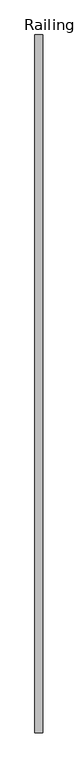
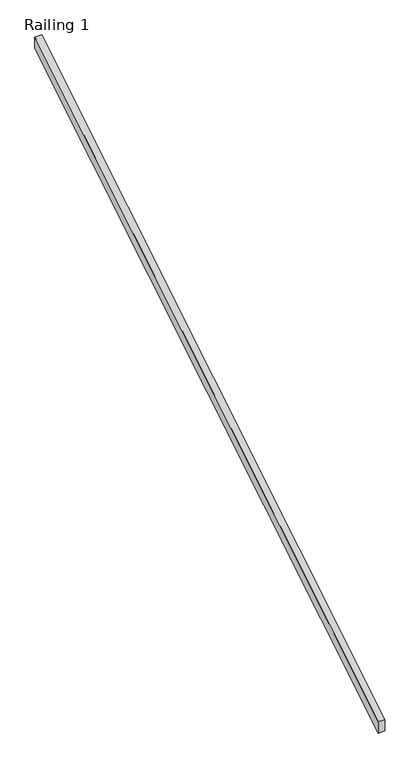
"""IFC4 building model written with IfcOpenShell, lengths in millimetres: railing geometry, Railing 1."""

from ifc_helpers import new_model, si_unit, frame, origin, place, context, project, spatial, polyline, outline, extrude, source, transform, mapped, element, save


def railing_1_b0e264c9(model_context):
    return source(origin(), model_context, "Body", "SweptSolid", [
        extrude(outline(polyline([(4293.1546094, 981.3600889), (4293.1546094, 1070.5882353), (8773.1546094, 3800.0), (8773.1546094, 3710.7718536), (4293.1546094, 981.3600889)])), frame((22410.0, 0.0, 0.0), z_axis=(1.0, 0.0, 0.0), x_axis=(0.0, 1.0, 0.0)), (0.0, 0.0, 1.0), 50.8),
    ])


if __name__ == "__main__":
    model = new_model("IFC4")
    model_context = context("Model", 3, world=origin())
    ifc_project = project(units=[si_unit("LENGTHUNIT", "METRE", prefix="MILLI")], contexts=[model_context])
    site = spatial("IfcSite", under=ifc_project)
    building = spatial("IfcBuilding", under=site)
    placement = place(None, origin())
    railing_1_shape = railing_1_b0e264c9(model_context)
    element("IfcRailing", 1, ObjectType="Railing 1", at=placement, inside=building, context=model_context, shape_type="MappedRepresentation", body=[
        mapped(railing_1_shape, transform((0.0, 0.0, 0.0), x_axis=(1.0, 0.0, 0.0), y_axis=(0.0, 1.0, 0.0), z_axis=(0.0, 0.0, 1.0))),
    ])
    save(model, "model.ifc")
